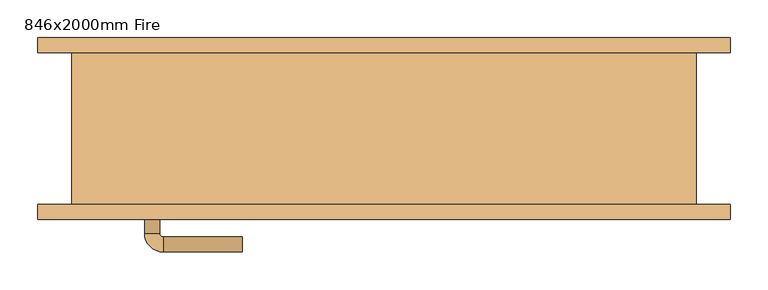
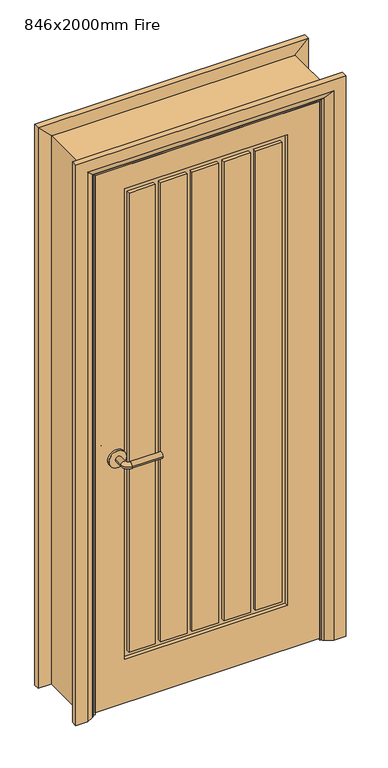
"""IFC4 building model written with IfcOpenShell, lengths in millimetres: door geometry, 846x2000mm Fire."""

from ifc_helpers import new_model, si_unit, point, frame, frame_2d, origin, place, context, project, spatial, polyline, circle_curve, ellipse_curve, trimmed, segment, composite_curve, outline, extrude, faceted_brep, source, transform, mapped, element, save
from ifc_brep_helpers import plane_surface, cylinder_surface, revolved_surface, advanced_brep


def door_846x2000mm_fire_6f1719a8(model_context):
    return source(origin(), model_context, "Body", "SolidModel", [
        advanced_brep(
        [(-318.0, -58.0, 900.0), (-298.0, -58.0, 900.0), (-318.0, -28.0, 900.0), (-298.0, -28.0, 900.0), (-293.0, -23.0, 900.0), (-293.0, -3.0, 900.0), (-188.0, -3.0, 900.0), (-188.0, -23.0, 900.0)],
        [
            (0, 1, circle_curve(frame((-308.0, -58.0, 900.0), z_axis=(0.0, -1.0, 0.0), x_axis=(1.0, 0.0, 0.0)), 10.0)),
            (1, 0, circle_curve(frame((-308.0, -58.0, 900.0), z_axis=(0.0, -1.0, 0.0), x_axis=(1.0, 0.0, 0.0)), 10.0)),
            (0, 2),
            (2, 3, circle_curve(frame((-308.0, -28.0, 900.0), z_axis=(0.0, -1.0, 0.0), x_axis=(1.0, 0.0, 0.0)), 10.0)),
            (3, 1),
            (3, 2, circle_curve(frame((-308.0, -28.0, 900.0), z_axis=(0.0, -1.0, 0.0), x_axis=(1.0, 0.0, 0.0)), 10.0)),
            (4, 3, circle_curve(frame((-293.0, -28.0, 900.0), z_axis=(0.0, 0.0, 1.0), x_axis=(-1.0, 0.0, 0.0)), 5.0)),
            (2, 5, circle_curve(frame((-293.0, -28.0, 900.0), z_axis=(0.0, 0.0, -1.0), x_axis=(-1.0, 0.0, 0.0)), 25.0)),
            (5, 4, circle_curve(frame((-293.0, -13.0, 900.0), z_axis=(-1.0, 0.0, 0.0), x_axis=(0.0, -1.0, 0.0)), 10.0)),
            (4, 5, circle_curve(frame((-293.0, -13.0, 900.0), z_axis=(-1.0, 0.0, 0.0), x_axis=(0.0, -1.0, 0.0)), 10.0)),
            (6, 7, circle_curve(frame((-188.0, -13.0, 900.0), z_axis=(1.0, 0.0, 0.0), x_axis=(0.0, -1.0, 0.0)), 10.0)),
            (7, 6, circle_curve(frame((-188.0, -13.0, 900.0), z_axis=(1.0, 0.0, 0.0), x_axis=(0.0, -1.0, 0.0)), 10.0)),
            (5, 6),
            (7, 4),
        ],
        [
            plane_surface(frame((-308.0, -58.0, 900.0), z_axis=(0.0, -1.0, 0.0), x_axis=(0.0, 0.0, 1.0))),
            cylinder_surface(frame((-308.0, -58.0, 900.0), z_axis=(0.0, -1.0, 0.0), x_axis=(1.0, 0.0, 0.0)), 10.0),
            revolved_surface(trimmed(ellipse_curve(frame((-308.0, -28.0, 900.0), z_axis=(0.0, -1.0, 0.0), x_axis=(1.0, 0.0, 0.0)), 10.0, 10.0), [point((-318.0, -28.0, 900.0))], [point((-298.0, -28.0, 900.0))], True, "CARTESIAN"), (-293.0, -28.0, 900.0), (0.0, 0.0, -1.0)),
            revolved_surface(trimmed(ellipse_curve(frame((-308.0, -28.0, 900.0), z_axis=(0.0, -1.0, 0.0), x_axis=(1.0, 0.0, 0.0)), 10.0, 10.0), [point((-298.0, -28.0, 900.0))], [point((-318.0, -28.0, 900.0))], True, "CARTESIAN"), (-293.0, -28.0, 900.0), (0.0, 0.0, -1.0)),
            plane_surface(frame((-188.0, -13.0, 900.0), z_axis=(1.0, 0.0, 0.0), x_axis=(0.0, 0.0, 1.0))),
            cylinder_surface(frame((-293.0, -13.0, 900.0), z_axis=(-1.0, 0.0, 0.0), x_axis=(0.0, -1.0, 0.0)), 10.0),
        ],
        [
            (0, [[1, 2]]),
            (1, [[-1, 3, 4, 5]]),
            (1, [[-2, -5, 6, -3]]),
            (2, [[7, -4, 8, 9]]),
            (3, [[-8, -6, -7, 10]]),
            (4, [[11, 12]]),
            (5, [[-9, 13, -12, 14]]),
            (5, [[-10, -14, -11, -13]]),
        ],
    ),
        extrude(outline(composite_curve([segment(trimmed(circle_curve(frame_2d((900.0, -310.5)), 30.0), [point((900.0, -340.5))], [point((900.0, -280.5))], False, "CARTESIAN"), True, "CONTINUOUS"), segment(trimmed(circle_curve(frame_2d((900.0, -310.5)), 30.0), [point((900.0, -280.5))], [point((900.0, -340.5))], False, "CARTESIAN"), True, "CONTINUOUS")], self_intersect=False)), frame((0.0, -66.0, 0.0), z_axis=(0.0, 1.0, 0.0), x_axis=(0.0, 0.0, 1.0)), (0.0, 0.0, 1.0), 8.0),
        advanced_brep(
        [(-318.0, -109.0, 900.0), (-298.0, -109.0, 900.0), (-298.0, -139.0, 900.0), (-318.0, -139.0, 900.0), (-293.0, -144.0, 900.0), (-293.0, -164.0, 900.0), (-188.0, -164.0, 900.0), (-188.0, -144.0, 900.0)],
        [
            (0, 1, circle_curve(frame((-308.0, -109.0, 900.0), z_axis=(0.0, 1.0, 0.0), x_axis=(1.0, 0.0, 0.0)), 10.0)),
            (1, 0, circle_curve(frame((-308.0, -109.0, 900.0), z_axis=(0.0, 1.0, 0.0), x_axis=(1.0, 0.0, 0.0)), 10.0)),
            (1, 2),
            (2, 3, circle_curve(frame((-308.0, -139.0, 900.0), z_axis=(0.0, 1.0, 0.0), x_axis=(1.0, 0.0, 0.0)), 10.0)),
            (3, 0),
            (3, 2, circle_curve(frame((-308.0, -139.0, 900.0), z_axis=(0.0, 1.0, 0.0), x_axis=(1.0, 0.0, 0.0)), 10.0)),
            (4, 5, circle_curve(frame((-293.0, -154.0, 900.0), z_axis=(-1.0, 0.0, 0.0), x_axis=(0.0, 1.0, 0.0)), 10.0)),
            (5, 3, circle_curve(frame((-293.0, -139.0, 900.0), z_axis=(0.0, 0.0, -1.0), x_axis=(-1.0, 0.0, 0.0)), 25.0)),
            (2, 4, circle_curve(frame((-293.0, -139.0, 900.0), z_axis=(0.0, 0.0, 1.0), x_axis=(-1.0, 0.0, 0.0)), 5.0)),
            (5, 4, circle_curve(frame((-293.0, -154.0, 900.0), z_axis=(-1.0, 0.0, 0.0), x_axis=(0.0, 1.0, 0.0)), 10.0)),
            (6, 7, circle_curve(frame((-188.0, -154.0, 900.0), z_axis=(1.0, 0.0, 0.0), x_axis=(0.0, 1.0, 0.0)), 10.0)),
            (7, 6, circle_curve(frame((-188.0, -154.0, 900.0), z_axis=(1.0, 0.0, 0.0), x_axis=(0.0, 1.0, 0.0)), 10.0)),
            (4, 7),
            (6, 5),
        ],
        [
            plane_surface(frame((-308.0, -109.0, 900.0), z_axis=(0.0, 1.0, 0.0), x_axis=(0.0, 0.0, 1.0))),
            cylinder_surface(frame((-308.0, -109.0, 900.0), z_axis=(0.0, 1.0, 0.0), x_axis=(1.0, 0.0, 0.0)), 10.0),
            revolved_surface(trimmed(ellipse_curve(frame((-308.0, -139.0, 900.0), z_axis=(0.0, -1.0, 0.0), x_axis=(1.0, 0.0, 0.0)), 10.0, 10.0), [point((-318.0, -139.0, 900.0))], [point((-298.0, -139.0, 900.0))], True, "CARTESIAN"), (-293.0, -139.0, 900.0), (0.0, 0.0, -1.0)),
            revolved_surface(trimmed(ellipse_curve(frame((-308.0, -139.0, 900.0), z_axis=(0.0, -1.0, 0.0), x_axis=(1.0, 0.0, 0.0)), 10.0, 10.0), [point((-298.0, -139.0, 900.0))], [point((-318.0, -139.0, 900.0))], True, "CARTESIAN"), (-293.0, -139.0, 900.0), (0.0, 0.0, -1.0)),
            plane_surface(frame((-188.0, -154.0, 900.0), z_axis=(1.0, 0.0, 0.0), x_axis=(0.0, 0.0, 1.0))),
            cylinder_surface(frame((-293.0, -154.0, 900.0), z_axis=(-1.0, 0.0, 0.0), x_axis=(0.0, 1.0, 0.0)), 10.0),
        ],
        [
            (0, [[1, 2]]),
            (1, [[3, 4, 5, -2]]),
            (1, [[-5, 6, -3, -1]]),
            (2, [[7, 8, -4, 9]]),
            (3, [[10, -9, -6, -8]]),
            (4, [[11, 12]]),
            (5, [[13, -11, 14, -7]]),
            (5, [[-14, -12, -13, -10]]),
        ],
    ),
        extrude(outline(composite_curve([segment(trimmed(circle_curve(frame_2d((900.0, -310.5)), 30.0), [point((900.0, -340.5))], [point((900.0, -280.5))], False, "CARTESIAN"), True, "CONTINUOUS"), segment(trimmed(circle_curve(frame_2d((900.0, -310.5)), 30.0), [point((900.0, -280.5))], [point((900.0, -340.5))], False, "CARTESIAN"), True, "CONTINUOUS")], self_intersect=False)), frame((0.0, -109.0, 0.0), z_axis=(0.0, 1.0, 0.0), x_axis=(0.0, 0.0, 1.0)), (0.0, 0.0, 1.0), 8.0),
        extrude(outline(polyline([(1941.0, -383.0), (8.0, -383.0), (8.0, 383.0), (1941.0, 383.0), (1941.0, -383.0)]), holes=[polyline([(1858.9867055, 271.9976627), (165.9867055, 271.9976627), (165.9867055, -282.7079267), (1858.9867055, -282.7079267), (1858.9867055, 271.9976627)])]), frame((0.0, -101.0, 0.0), z_axis=(0.0, 1.0, 0.0), x_axis=(0.0, 0.0, 1.0)), (0.0, 0.0, 1.0), 35.0),
        extrude(outline(polyline([(-177.7079267, -66.0), (-177.7079267, -101.0), (-267.7079267, -101.0), (-267.7079267, -66.0), (-177.7079267, -66.0)])), frame((0.0, 0.0, 184.7837756), z_axis=(0.0, 0.0, 1.0), x_axis=(1.0, 0.0, 0.0)), (0.0, 0.0, 1.0), 1653.0),
        extrude(outline(polyline([(254.0565448, -66.0), (254.0565448, -101.0), (164.0565448, -101.0), (164.0565448, -66.0), (254.0565448, -66.0)])), frame((0.0, 0.0, 184.7837756), z_axis=(0.0, 0.0, 1.0), x_axis=(1.0, 0.0, 0.0)), (0.0, 0.0, 1.0), 1653.0),
        extrude(outline(polyline([(38.174309, -66.0), (38.174309, -101.0), (-51.825691, -101.0), (-51.825691, -66.0), (38.174309, -66.0)])), frame((0.0, 0.0, 184.7837756), z_axis=(0.0, 0.0, 1.0), x_axis=(1.0, 0.0, 0.0)), (0.0, 0.0, 1.0), 1653.0),
        extrude(outline(polyline([(-69.7668089, -66.0), (-69.7668089, -101.0), (-159.7668089, -101.0), (-159.7668089, -66.0), (-69.7668089, -66.0)])), frame((0.0, 0.0, 184.7837756), z_axis=(0.0, 0.0, 1.0), x_axis=(1.0, 0.0, 0.0)), (0.0, 0.0, 1.0), 1653.0),
        extrude(outline(polyline([(146.1154269, -66.0), (146.1154269, -101.0), (56.1154269, -101.0), (56.1154269, -66.0), (146.1154269, -66.0)])), frame((0.0, 0.0, 184.7837756), z_axis=(0.0, 0.0, 1.0), x_axis=(1.0, 0.0, 0.0)), (0.0, 0.0, 1.0), 1653.0),
        advanced_brep(
        [(460.0, -121.0, 0.0), (420.0, -121.0, 0.0), (394.0, -107.0, 0.0), (390.0, -101.0, 0.0), (460.0, -101.0, 0.0), (460.0, -101.0, 2018.0), (460.0, -121.0, 2018.0), (390.0, -101.0, 1948.0), (-390.0, -101.0, 1948.0), (-390.0, -101.0, 0.0), (-460.0, -101.0, 0.0), (-460.0, -101.0, 2018.0), (394.0, -107.0, 1952.0), (420.0, -121.0, 1978.0), (-460.0, -121.0, 2018.0), (-460.0, -121.0, 0.0), (-420.0, -121.0, 0.0), (-420.0, -121.0, 1978.0), (-394.0, -107.0, 0.0), (-394.0, -107.0, 1952.0)],
        [
            (0, 1),
            (1, 2),
            (2, 3, circle_curve(frame((398.0, -100.0, 0.0), z_axis=(0.0, 0.0, -1.0), x_axis=(1.0, 0.0, 0.0)), 8.0622577)),
            (3, 4),
            (4, 0),
            (4, 5),
            (5, 6),
            (6, 0),
            (3, 7),
            (7, 8),
            (8, 9),
            (9, 10),
            (10, 11),
            (11, 5),
            (2, 12),
            (12, 7, ellipse_curve(frame((398.0, -100.0, 1956.0), z_axis=(0.7071067811865475, 0.0, -0.7071067811865475), x_axis=(-0.7071067811865474, 0.0, -0.7071067811865476)), 11.4017543, 8.0622577)),
            (1, 13),
            (13, 12),
            (6, 14),
            (14, 15),
            (15, 16),
            (16, 17),
            (17, 13),
            (10, 15),
            (14, 11),
            (9, 18, circle_curve(frame((-398.0, -100.0, 0.0), z_axis=(0.0, 0.0, -1.0), x_axis=(-1.0, 0.0, 0.0)), 8.0622577)),
            (18, 16),
            (19, 18),
            (8, 19, ellipse_curve(frame((-398.0, -100.0, 1956.0), z_axis=(-0.7071067811865475, 0.0, -0.7071067811865475), x_axis=(-0.7071067811865474, 0.0, 0.7071067811865476)), 11.4017543, 8.0622577)),
            (19, 17),
            (12, 19),
        ],
        [
            plane_surface(frame((390.0, -101.0, 0.0), z_axis=(0.0, 0.0, -1.0), x_axis=(0.0, 1.0, 0.0))),
            plane_surface(frame((460.0, -121.0, 0.0), z_axis=(1.0, 0.0, 0.0), x_axis=(0.0, 0.0, 1.0))),
            plane_surface(frame((460.0, -101.0, 0.0), z_axis=(0.0, 1.0, 0.0), x_axis=(0.0, 0.0, 1.0))),
            cylinder_surface(frame((398.0, -100.0, 0.0), z_axis=(0.0, 0.0, -1.0), x_axis=(1.0, 0.0, 0.0)), 8.0622577),
            plane_surface(frame((394.0, -107.0, 0.0), z_axis=(-0.4740998230350126, -0.880471099922178, 0.0), x_axis=(0.0, 0.0, 1.0))),
            plane_surface(frame((420.0, -121.0, 0.0), z_axis=(0.0, -1.0, 0.0), x_axis=(0.0, 0.0, 1.0))),
            plane_surface(frame((-460.0, -121.0, 2018.0), z_axis=(-1.0, 0.0, 0.0), x_axis=(0.0, 0.0, -1.0))),
            plane_surface(frame((-390.0, -101.0, 0.0), z_axis=(0.0, 0.0, -1.0), x_axis=(0.0, 1.0, 0.0))),
            cylinder_surface(frame((-398.0, -100.0, 1948.0), z_axis=(0.0, 0.0, 1.0), x_axis=(-1.0, 0.0, 0.0)), 8.0622577),
            plane_surface(frame((-394.0, -107.0, 1952.0), z_axis=(0.47409982303501824, -0.8804710999221749, 0.0), x_axis=(0.0, 0.0, -1.0))),
            plane_surface(frame((460.0, -121.0, 2018.0), z_axis=(0.0, 0.0, 1.0), x_axis=(-1.0, 0.0, 0.0))),
            cylinder_surface(frame((390.0, -100.0, 1956.0), z_axis=(1.0, 0.0, 0.0), x_axis=(0.0, 0.0, 1.0)), 8.0622577),
            plane_surface(frame((394.0, -107.0, 1952.0), z_axis=(0.0, -0.8804710999221764, -0.4740998230350154), x_axis=(-1.0, 0.0, 0.0))),
        ],
        [
            (0, [[1, 2, 3, 4, 5]]),
            (1, [[6, 7, 8, -5]]),
            (2, [[9, 10, 11, 12, 13, 14, -6, -4]]),
            (3, [[15, 16, -9, -3]]),
            (4, [[17, 18, -15, -2]]),
            (5, [[-8, 19, 20, 21, 22, 23, -17, -1]]),
            (6, [[-13, 24, -20, 25]]),
            (7, [[-24, -12, 26, 27, -21]]),
            (8, [[28, -26, -11, 29]]),
            (9, [[-22, -27, -28, 30]]),
            (10, [[-14, -25, -19, -7]]),
            (11, [[31, -29, -10, -16]]),
            (12, [[-23, -30, -31, -18]]),
        ],
    ),
        extrude(outline(polyline([(0.0, -366.0), (1924.0, -366.0), (1924.0, 366.0), (0.0, 366.0), (0.0, 385.0), (1943.0, 385.0), (1943.0, -385.0), (0.0, -385.0), (0.0, -366.0)])), frame((0.0, -64.0, 0.0), z_axis=(0.0, 1.0, 0.0), x_axis=(0.0, 0.0, 1.0)), (0.0, 0.0, 1.0), 32.0),
        advanced_brep(
        [(-460.0, 121.0, 0.0), (-420.0, 121.0, 0.0), (-394.0, 107.0, 0.0), (-390.0, 101.0, 0.0), (-460.0, 101.0, 0.0), (-460.0, 101.0, 2018.0), (-460.0, 121.0, 2018.0), (-390.0, 101.0, 1948.0), (-394.0, 107.0, 1952.0), (-420.0, 121.0, 1978.0), (460.0, 121.0, 0.0), (460.0, 101.0, 0.0), (390.0, 101.0, 0.0), (394.0, 107.0, 0.0), (420.0, 121.0, 0.0), (460.0, 121.0, 2018.0), (420.0, 121.0, 1978.0), (394.0, 107.0, 1952.0), (390.0, 101.0, 1948.0), (460.0, 101.0, 2018.0)],
        [
            (0, 1),
            (1, 2),
            (2, 3, circle_curve(frame((-398.0, 100.0, 0.0), z_axis=(0.0, 0.0, -1.0), x_axis=(-1.0, 0.0, 0.0)), 8.0622577)),
            (3, 4),
            (4, 0),
            (4, 5),
            (5, 6),
            (6, 0),
            (3, 7),
            (7, 5),
            (2, 8),
            (8, 7, ellipse_curve(frame((-398.0, 100.0, 1956.0), z_axis=(-0.7071067811865475, 0.0, -0.7071067811865475), x_axis=(0.7071067811865474, 0.0, -0.7071067811865476)), 11.4017543, 8.0622577)),
            (1, 9),
            (9, 8),
            (6, 9),
            (10, 11),
            (11, 12),
            (12, 13, circle_curve(frame((398.0, 100.0, 0.0), z_axis=(0.0, 0.0, -1.0), x_axis=(1.0, 0.0, 0.0)), 8.0622577)),
            (13, 14),
            (14, 10),
            (15, 10),
            (14, 16),
            (16, 15),
            (13, 17),
            (17, 16),
            (12, 18),
            (18, 17, ellipse_curve(frame((398.0, 100.0, 1956.0), z_axis=(0.7071067811865475, 0.0, -0.7071067811865475), x_axis=(0.7071067811865474, 0.0, 0.7071067811865476)), 11.4017543, 8.0622577)),
            (11, 19),
            (19, 18),
            (15, 19),
            (5, 19),
            (15, 6),
            (7, 18),
            (8, 17),
            (9, 16),
        ],
        [
            plane_surface(frame((-390.0, 173.8010989, 0.0), z_axis=(0.0, 0.0, -1.0), x_axis=(1.0, 0.0, 0.0))),
            plane_surface(frame((-460.0, 121.0, 0.0), z_axis=(-1.0, 0.0, 0.0), x_axis=(0.0, 0.0, 1.0))),
            plane_surface(frame((-460.0, 101.0, 0.0), z_axis=(0.0, -1.0, 0.0), x_axis=(0.0, 0.0, 1.0))),
            cylinder_surface(frame((-398.0, 100.0, 0.0), z_axis=(0.0, 0.0, -1.0), x_axis=(-1.0, 0.0, 0.0)), 8.0622577),
            plane_surface(frame((-394.0, 107.0, 0.0), z_axis=(0.4740998230350183, 0.8804710999221749, 0.0), x_axis=(0.0, 0.0, 1.0))),
            plane_surface(frame((-420.0, 121.0, 0.0), z_axis=(0.0, 1.0, 0.0), x_axis=(0.0, 0.0, 1.0))),
            plane_surface(frame((390.0, 173.8010989, 0.0), z_axis=(0.0, 0.0, -1.0), x_axis=(-1.0, 0.0, 0.0))),
            plane_surface(frame((420.0, 121.0, 1978.0), z_axis=(0.0, 1.0, 0.0), x_axis=(0.0, 0.0, -1.0))),
            plane_surface(frame((394.0, 107.0, 1952.0), z_axis=(-0.4740998230350183, 0.8804710999221749, 0.0), x_axis=(0.0, 0.0, -1.0))),
            cylinder_surface(frame((398.0, 100.0, 1948.0), z_axis=(0.0, 0.0, 1.0), x_axis=(1.0, 0.0, 0.0)), 8.0622577),
            plane_surface(frame((460.0, 101.0, 2018.0), z_axis=(0.0, -1.0, 0.0), x_axis=(0.0, 0.0, -1.0))),
            plane_surface(frame((460.0, 121.0, 2018.0), z_axis=(1.0, 0.0, 0.0), x_axis=(0.0, 0.0, -1.0))),
            plane_surface(frame((-460.0, 121.0, 2018.0), z_axis=(0.0, 0.0, 1.0), x_axis=(1.0, 0.0, 0.0))),
            plane_surface(frame((-460.0, 101.0, 2018.0), z_axis=(0.0, -1.0, 0.0), x_axis=(1.0, 0.0, 0.0))),
            cylinder_surface(frame((-390.0, 100.0, 1956.0), z_axis=(-1.0, 0.0, 0.0), x_axis=(0.0, 0.0, 1.0)), 8.0622577),
            plane_surface(frame((-394.0, 107.0, 1952.0), z_axis=(0.0, 0.8804710999221749, -0.4740998230350183), x_axis=(1.0, 0.0, 0.0))),
            plane_surface(frame((-420.0, 121.0, 1978.0), z_axis=(0.0, 1.0, 0.0), x_axis=(1.0, 0.0, 0.0))),
        ],
        [
            (0, [[1, 2, 3, 4, 5]]),
            (1, [[6, 7, 8, -5]]),
            (2, [[9, 10, -6, -4]]),
            (3, [[11, 12, -9, -3]]),
            (4, [[13, 14, -11, -2]]),
            (5, [[-8, 15, -13, -1]]),
            (6, [[16, 17, 18, 19, 20]]),
            (7, [[21, -20, 22, 23]]),
            (8, [[-22, -19, 24, 25]]),
            (9, [[-24, -18, 26, 27]]),
            (10, [[-26, -17, 28, 29]]),
            (11, [[-28, -16, -21, 30]]),
            (12, [[31, -30, 32, -7]]),
            (13, [[33, -29, -31, -10]]),
            (14, [[34, -27, -33, -12]]),
            (15, [[35, -25, -34, -14]]),
            (16, [[-32, -23, -35, -15]]),
        ],
    ),
        faceted_brep([(-383.0, -101.0, 0.0), (-415.0, -101.0, 0.0), (-415.0, 101.0, 0.0), (-383.0, 101.0, 0.0), (-383.0, 101.0, 1941.0), (-383.0, -101.0, 1941.0), (-415.0, 101.0, 1973.0), (-415.0, -101.0, 1973.0), (383.0, -101.0, 0.0), (383.0, 101.0, 0.0), (415.0, 101.0, 0.0), (415.0, -101.0, 0.0), (383.0, -101.0, 1941.0), (415.0, -101.0, 1973.0), (415.0, 101.0, 1973.0), (383.0, 101.0, 1941.0)], [[[0, 1, 2, 3]], [[3, 4, 5, 0]], [[2, 6, 4, 3]], [[1, 7, 6, 2]], [[0, 5, 7, 1]], [[8, 9, 10, 11]], [[12, 8, 11, 13]], [[13, 11, 10, 14]], [[14, 10, 9, 15]], [[15, 9, 8, 12]], [[4, 15, 12, 5]], [[6, 14, 15, 4]], [[7, 13, 14, 6]], [[5, 12, 13, 7]]]),
        extrude(outline(polyline([(271.9976627, -72.0), (271.9976627, -89.0), (-282.7079267, -89.0), (-282.7079267, -72.0), (271.9976627, -72.0)])), frame((0.0, 0.0, 165.9867055), z_axis=(0.0, 0.0, 1.0), x_axis=(1.0, 0.0, 0.0)), (0.0, 0.0, 1.0), 1693.0),
    ])


if __name__ == "__main__":
    model = new_model("IFC4")
    model_context = context("Model", 3, world=origin())
    ifc_project = project(units=[si_unit("LENGTHUNIT", "METRE", prefix="MILLI")], contexts=[model_context])
    site = spatial("IfcSite", under=ifc_project)
    building = spatial("IfcBuilding", under=site)
    placement = place(None, origin())
    door_846x2000mm_fire_shape = door_846x2000mm_fire_6f1719a8(model_context)
    element("IfcDoor", 1, ObjectType="846x2000mm Fire", at=placement, inside=building, context=model_context, shape_type="MappedRepresentation", body=[
        mapped(door_846x2000mm_fire_shape, transform((0.0, 0.0, 0.0), x_axis=(1.0, 0.0, 0.0), y_axis=(0.0, 1.0, 0.0), z_axis=(0.0, 0.0, 1.0))),
    ])
    save(model, "model.ifc")
